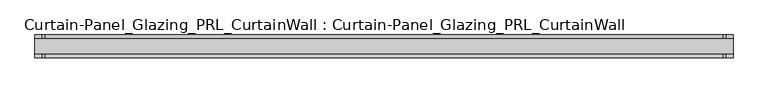
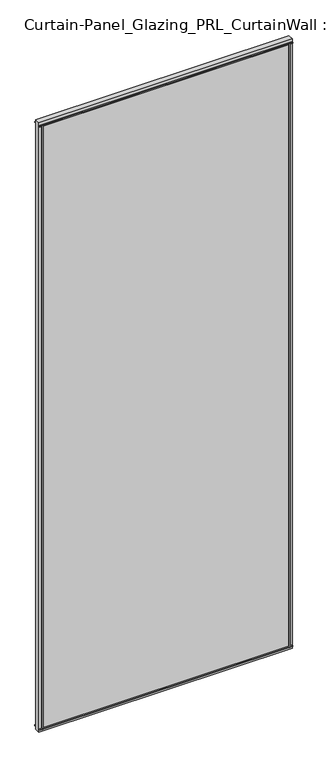
"""IFC4 building model written with IfcOpenShell, lengths in millimetres: plate geometry, Curtain-Panel_Glazing_PRL_CurtainWall : Curtain-Panel_Glazing_PRL_CurtainWall."""

import ifcopenshell
import ifcopenshell.guid

model = None  # the IFC model being written
_history = None  # IfcOwnerHistory: only IFC2X3 demands one
_inside = {}  # id of a spatial element -> (the spatial element, [elements in it])
_under = {}  # id of a project, library or spatial element -> (it, [spatial elements below it])
_declared = {}  # id of a project -> (the project, [libraries it declares])
_typed = {}  # id of a type object -> (the type object, [elements of that type])
_made_of = {}  # id of a material, layer set ... -> (it, [elements and type objects made of it])


def new_model(schema):
    """Start an empty IFC model of exactly this schema.

    Asked for "IFC4X3", IfcOpenShell would pick the latest addendum, in which some entities
    have other attributes; the version numbers below select the first issue.
    IFC2X3 requires an IfcOwnerHistory on every rooted entity: one is made here for all.
    """
    global model, _history
    if schema == "IFC4X3":
        model = ifcopenshell.file(schema_version=(4, 3, 0, 0))
    else:
        model = ifcopenshell.file(schema=schema)
    _inside.clear()
    _under.clear()
    _declared.clear()
    _typed.clear()
    _made_of.clear()
    _history = None
    if model.schema == "IFC2X3":
        org = make("IfcOrganization", Name="unknown")
        user = make(
            "IfcPersonAndOrganization",
            ThePerson=make("IfcPerson", FamilyName="unknown"),
            TheOrganization=org,
        )
        app = make(
            "IfcApplication",
            ApplicationDeveloper=org,
            Version="unknown",
            ApplicationFullName="unknown",
            ApplicationIdentifier="unknown",
        )
        _history = make(
            "IfcOwnerHistory",
            OwningUser=user,
            OwningApplication=app,
            ChangeAction="ADDED",
            CreationDate=0,
        )
    return model


def make(cls, **values):
    """One entity of the class cls with the attributes given. An attribute that is None is left unset."""
    return model.create_entity(
        cls, **{name: value for name, value in values.items() if value is not None}
    )


def rooted(cls, **values):
    """An entity with a GlobalId (a new one), such as an element, a storey or a relation."""
    return make(cls, GlobalId=ifcopenshell.guid.new(), OwnerHistory=_history, **values)


def si_unit(unit_type, name, prefix=None):
    """IfcSIUnit, for example si_unit("LENGTHUNIT", "METRE", prefix="MILLI")."""
    return make("IfcSIUnit", UnitType=unit_type, Prefix=prefix, Name=name)


def assignment(units):
    """IfcUnitAssignment: the units of a project."""
    return None if units is None else make("IfcUnitAssignment", Units=units)


def point(xyz):
    """IfcCartesianPoint."""
    return None if xyz is None else make("IfcCartesianPoint", Coordinates=xyz)


def direction(xyz):
    """IfcDirection."""
    return None if xyz is None else make("IfcDirection", DirectionRatios=xyz)


def frame(location, z_axis=None, x_axis=None):
    """IfcAxis2Placement3D, a coordinate frame: its origin and axes. An axis left out is left unset."""
    return make(
        "IfcAxis2Placement3D",
        Location=point(location),
        Axis=direction(z_axis),
        RefDirection=direction(x_axis),
    )


def origin():
    """The frame at (0, 0, 0) with its axes left unset."""
    return frame((0.0, 0.0, 0.0))


def origin_with_axes():
    """The frame at (0, 0, 0) with the z axis (0, 0, 1) and the x axis (1, 0, 0) written out."""
    return frame((0.0, 0.0, 0.0), z_axis=(0.0, 0.0, 1.0), x_axis=(1.0, 0.0, 0.0))


def place(relative_to, where):
    """IfcLocalPlacement: puts the frame where relative to a parent placement (None: the world)."""
    return make(
        "IfcLocalPlacement", PlacementRelTo=relative_to, RelativePlacement=where
    )


def context(
    kind, dimensions, precision=None, world=None, true_north=None, identifier=None
):
    """IfcGeometricRepresentationContext, for example the 3D "Model" context."""
    return make(
        "IfcGeometricRepresentationContext",
        ContextIdentifier=identifier,
        ContextType=kind,
        CoordinateSpaceDimension=dimensions,
        Precision=precision,
        WorldCoordinateSystem=world,
        TrueNorth=true_north,
    )


def project(units=None, contexts=None):
    """IfcProject with its units and contexts."""
    return rooted(
        "IfcProject",
        Name="project",
        RepresentationContexts=contexts,
        UnitsInContext=assignment(units),
    )


def spatial(cls, under=None, at=None, **own):
    """A site, building, storey or space (cls), placed at a placement, below another one or the project."""
    s = rooted(cls, ObjectPlacement=at, **own)
    if under is not None:
        _under.setdefault(under.id(), (under, []))[1].append(s)
    return s


def polyline(points):
    """IfcPolyline through the points."""
    return make("IfcPolyline", Points=[point(p) for p in points])


def outline(outer, holes=None, kind="AREA"):
    """IfcArbitraryClosedProfileDef: a profile drawn as a closed curve; with holes, ...WithVoids."""
    if holes is None:
        return make("IfcArbitraryClosedProfileDef", ProfileType=kind, OuterCurve=outer)
    return make(
        "IfcArbitraryProfileDefWithVoids",
        ProfileType=kind,
        OuterCurve=outer,
        InnerCurves=holes,
    )


def extrude(swept, where, along, depth):
    """IfcExtrudedAreaSolid: the profile swept, set in the frame where, extruded along a direction by depth."""
    return make(
        "IfcExtrudedAreaSolid",
        SweptArea=swept,
        Position=where,
        ExtrudedDirection=direction(along),
        Depth=depth,
    )


def shape(context_of_items, identifier, shape_type, items):
    """IfcShapeRepresentation: the items that make up one representation, for example the "Body"."""
    return make(
        "IfcShapeRepresentation",
        ContextOfItems=context_of_items,
        RepresentationIdentifier=identifier,
        RepresentationType=shape_type,
        Items=items,
    )


def source(mapping_origin, context_of_items, identifier, shape_type, items):
    """IfcRepresentationMap: a shape defined once, which mapped items show again and again."""
    return make(
        "IfcRepresentationMap",
        MappingOrigin=mapping_origin,
        MappedRepresentation=shape(context_of_items, identifier, shape_type, items),
    )


def transform(
    local_origin,
    x_axis=None,
    y_axis=None,
    z_axis=None,
    scale=None,
    scale2=None,
    scale3=None,
    uniform=True,
):
    """IfcCartesianTransformationOperator3D, or its non-uniform kind. x_axis, y_axis, z_axis: its Axis1, 2, 3."""
    if uniform:
        return make(
            "IfcCartesianTransformationOperator3D",
            Axis1=direction(x_axis),
            Axis2=direction(y_axis),
            LocalOrigin=point(local_origin),
            Scale=scale,
            Axis3=direction(z_axis),
        )
    return make(
        "IfcCartesianTransformationOperator3DnonUniform",
        Axis1=direction(x_axis),
        Axis2=direction(y_axis),
        LocalOrigin=point(local_origin),
        Scale=scale,
        Axis3=direction(z_axis),
        Scale2=scale2,
        Scale3=scale3,
    )


def mapped(mapping_source, mapping_target):
    """IfcMappedItem: shows the shape of a source again, moved by a transform."""
    return make(
        "IfcMappedItem", MappingSource=mapping_source, MappingTarget=mapping_target
    )


def made_of(thing, what):
    """Note that an element or type object is made of a material, layer set ...; save() writes the relation."""
    if what is not None:
        _made_of.setdefault(what.id(), (what, []))[1].append(thing)
    return thing


def element(
    cls,
    number,
    at=None,
    inside=None,
    cuts=None,
    type_object=None,
    material=None,
    context=None,
    identifier="Body",
    shape_type=None,
    held_by="IfcProductDefinitionShape",
    body=None,
    shapes=None,
    **own,
):
    """One element of the class cls, such as IfcWall. Its Tag is "e" and its number.

    at: its placement. inside: the storey or other place that contains it. cuts: it is an
    opening in that element (IfcRelVoidsElement). A single representation is given by context,
    identifier, shape_type and body (its items); several are given by shapes. held_by: the class
    of the entity that holds the representations. save() writes the other relations.
    """
    e = rooted(cls, Tag="e%d" % number, ObjectPlacement=at, **own)
    if body is not None:
        shapes = [shape(context, identifier, shape_type, body)]
    if shapes is not None:
        e.Representation = make(held_by, Representations=shapes)
    if inside is not None:
        _inside.setdefault(inside.id(), (inside, []))[1].append(e)
    if cuts is not None:
        rooted(
            "IfcRelVoidsElement", RelatingBuildingElement=cuts, RelatedOpeningElement=e
        )
    if type_object is not None:
        _typed.setdefault(type_object.id(), (type_object, []))[1].append(e)
    return made_of(e, material)


def aggregate(whole, parts):
    """IfcRelAggregates: a whole, such as a stair, and the parts it consists of."""
    return rooted("IfcRelAggregates", RelatingObject=whole, RelatedObjects=parts)


def save(model, path):
    """Write the relations noted so far, then the file.

    IfcRelAggregates (storeys below a building ...), IfcRelContainedInSpatialStructure (elements
    in a storey), IfcRelDefinesByType, IfcRelAssociatesMaterial and IfcRelDeclares: one each for
    every whole, place, type object, material and project.
    """
    for whole, parts in _under.values():
        aggregate(whole, parts)
    for where, things in _inside.values():
        rooted(
            "IfcRelContainedInSpatialStructure",
            RelatedElements=things,
            RelatingStructure=where,
        )
    for kind, things in _typed.values():
        rooted("IfcRelDefinesByType", RelatedObjects=things, RelatingType=kind)
    for what, things in _made_of.values():
        rooted("IfcRelAssociatesMaterial", RelatedObjects=things, RelatingMaterial=what)
    for by, libraries in _declared.values():
        rooted("IfcRelDeclares", RelatingContext=by, RelatedDefinitions=libraries)
    model.write(path)


def curtain_panel_glazing_prl_curtainwall_curtain_panel_glazing_a16ccaf0(model_context):
    return source(origin(), model_context, "Body", "SweptSolid", [
        extrude(outline(polyline([(566.1586202, -19.05), (562.1898702, -19.05), (562.1898702, -12.7), (566.1586202, -12.7), (566.1586202, -19.05)])), frame((0.0, 0.0, 12.7), z_axis=(0.0, 0.0, 1.0), x_axis=(1.0, 0.0, 0.0)), (0.0, 0.0, 1.0), 2946.4),
        extrude(outline(polyline([(566.1586202, 19.05), (566.1586202, 12.7), (562.1898702, 12.7), (562.1898702, 19.05), (566.1586202, 19.05)])), frame((0.0, 0.0, 12.7), z_axis=(0.0, 0.0, 1.0), x_axis=(1.0, 0.0, 0.0)), (0.0, 0.0, 1.0), 2946.4),
        extrude(outline(polyline([(-578.8586202, -19.05), (-578.8586202, -12.7), (-574.8898702, -12.7), (-574.8898702, -19.05), (-578.8586202, -19.05)])), frame((0.0, 0.0, 12.7), z_axis=(0.0, 0.0, 1.0), x_axis=(1.0, 0.0, 0.0)), (0.0, 0.0, 1.0), 2946.4),
        extrude(outline(polyline([(-578.8586202, 19.05), (-574.8898702, 19.05), (-574.8898702, 12.7), (-578.8586202, 12.7), (-578.8586202, 19.05)])), frame((0.0, 0.0, 12.7), z_axis=(0.0, 0.0, 1.0), x_axis=(1.0, 0.0, 0.0)), (0.0, 0.0, 1.0), 2946.4),
        extrude(outline(polyline([(578.8586202, 12.7), (578.8586202, -12.7), (-591.5586202, -12.7), (-591.5586202, 12.7), (578.8586202, 12.7)])), origin_with_axes(), (0.0, 0.0, 1.0), 2971.8),
        extrude(outline(polyline([(-591.5586202, -19.05), (-591.5586202, -12.7), (578.8586202, -12.7), (578.8586202, -19.05), (-591.5586202, -19.05)])), frame((0.0, 0.0, 2955.13125), z_axis=(0.0, 0.0, 1.0), x_axis=(1.0, 0.0, 0.0)), (0.0, 0.0, 1.0), 3.96875),
        extrude(outline(polyline([(-591.5586202, 19.05), (578.8586202, 19.05), (578.8586202, 12.7), (-591.5586202, 12.7), (-591.5586202, 19.05)])), frame((0.0, 0.0, 2955.13125), z_axis=(0.0, 0.0, 1.0), x_axis=(1.0, 0.0, 0.0)), (0.0, 0.0, 1.0), 3.96875),
        extrude(outline(polyline([(-591.5586202, -19.05), (-591.5586202, -12.7), (578.8586202, -12.7), (578.8586202, -19.05), (-591.5586202, -19.05)])), frame((0.0, 0.0, 12.7), z_axis=(0.0, 0.0, 1.0), x_axis=(1.0, 0.0, 0.0)), (0.0, 0.0, 1.0), 3.96875),
        extrude(outline(polyline([(-591.5586202, 19.05), (578.8586202, 19.05), (578.8586202, 12.7), (-591.5586202, 12.7), (-591.5586202, 19.05)])), frame((0.0, 0.0, 12.7), z_axis=(0.0, 0.0, 1.0), x_axis=(1.0, 0.0, 0.0)), (0.0, 0.0, 1.0), 3.96875),
    ])


if __name__ == "__main__":
    model = new_model("IFC4")
    model_context = context("Model", 3, world=origin())
    ifc_project = project(units=[si_unit("LENGTHUNIT", "METRE", prefix="MILLI")], contexts=[model_context])
    site = spatial("IfcSite", under=ifc_project)
    building = spatial("IfcBuilding", under=site)
    placement = place(None, origin())
    curtain_panel_glazing_prl_curtainwall_curtain_panel_glazing_shape = curtain_panel_glazing_prl_curtainwall_curtain_panel_glazing_a16ccaf0(model_context)
    element("IfcPlate", 1, ObjectType="Curtain-Panel_Glazing_PRL_CurtainWall : Curtain-Panel_Glazing_PRL_CurtainWall", at=placement, inside=building, context=model_context, shape_type="MappedRepresentation", body=[
        mapped(curtain_panel_glazing_prl_curtainwall_curtain_panel_glazing_shape, transform((0.0, 0.0, 0.0), x_axis=(1.0, 0.0, 0.0), y_axis=(0.0, 1.0, 0.0), z_axis=(0.0, 0.0, 1.0))),
    ])
    save(model, "model.ifc")
